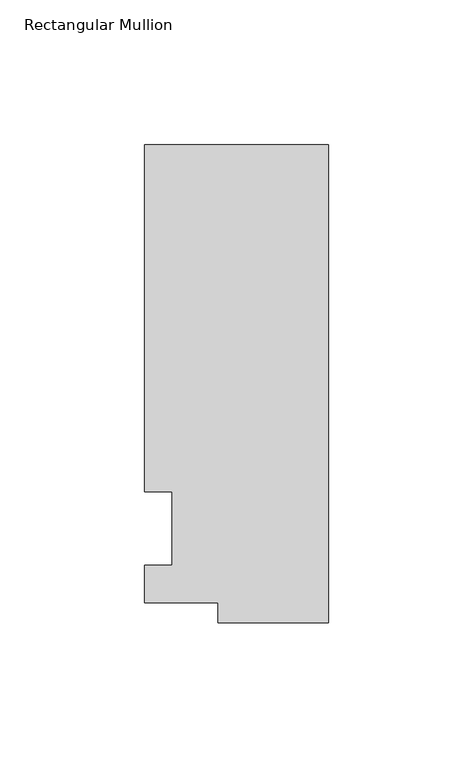
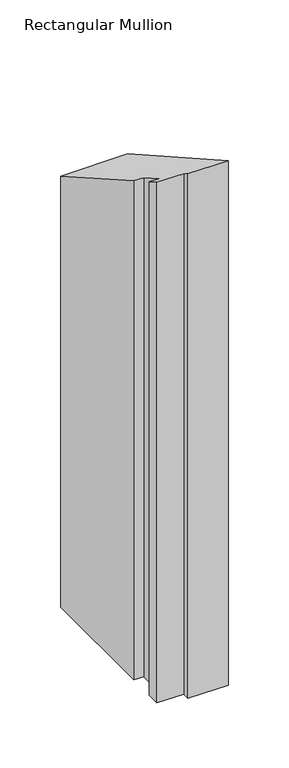
"""IFC4 building model written with IfcOpenShell, lengths in millimetres: member geometry, Rectangular Mullion."""

from ifc_helpers import new_model, si_unit, origin, place, context, project, spatial, faceted_brep, source, transform, mapped, element, save


def rectangular_mullion_fdfc73ac(model_context):
    return source(origin(), model_context, "Body", "Brep", [
        faceted_brep([(-38.1, -32.54375, -508.0), (-38.1, -25.58415, -508.0), (-63.5, -25.58415, -508.0), (-63.5, -12.7, -508.0), (-53.975, -12.7, -508.0), (-53.975, 12.7, -508.0), (-63.5, 12.7, -508.0), (-63.5, 132.55625, -508.0), (0.0, 132.55625, -508.0), (0.0, -32.54375, -508.0), (0.0, -32.54375, 18.4123679), (-38.1, -32.54375, 18.4123679), (0.0, 132.55625, -74.9967178), (-63.5, 132.55625, -74.9967178), (-63.5, 12.7, -7.1853143), (-53.975, 12.7, -7.1853143), (-53.975, -12.7, 7.1853143), (-63.5, -12.7, 7.1853143), (-63.5, -25.58415, 14.4748156), (-38.1, -25.58415, 14.4748156)], [[[0, 1, 2, 3, 4, 5, 6, 7, 8, 9]], [[10, 11, 0, 9]], [[12, 10, 9, 8]], [[13, 12, 8, 7]], [[14, 13, 7, 6]], [[15, 14, 6, 5]], [[16, 15, 5, 4]], [[17, 16, 4, 3]], [[18, 17, 3, 2]], [[19, 18, 2, 1]], [[11, 19, 1, 0]], [[11, 10, 12, 13, 14, 15, 16, 17, 18, 19]]]),
    ])


if __name__ == "__main__":
    model = new_model("IFC4")
    model_context = context("Model", 3, world=origin())
    ifc_project = project(units=[si_unit("LENGTHUNIT", "METRE", prefix="MILLI")], contexts=[model_context])
    site = spatial("IfcSite", under=ifc_project)
    building = spatial("IfcBuilding", under=site)
    placement = place(None, origin())
    rectangular_mullion_shape = rectangular_mullion_fdfc73ac(model_context)
    element("IfcMember", 1, ObjectType="Rectangular Mullion", at=placement, inside=building, context=model_context, shape_type="MappedRepresentation", body=[
        mapped(rectangular_mullion_shape, transform((0.0, 0.0, 0.0), x_axis=(1.0, 0.0, 0.0), y_axis=(0.0, 1.0, 0.0), z_axis=(0.0, 0.0, 1.0))),
    ])
    save(model, "model.ifc")
